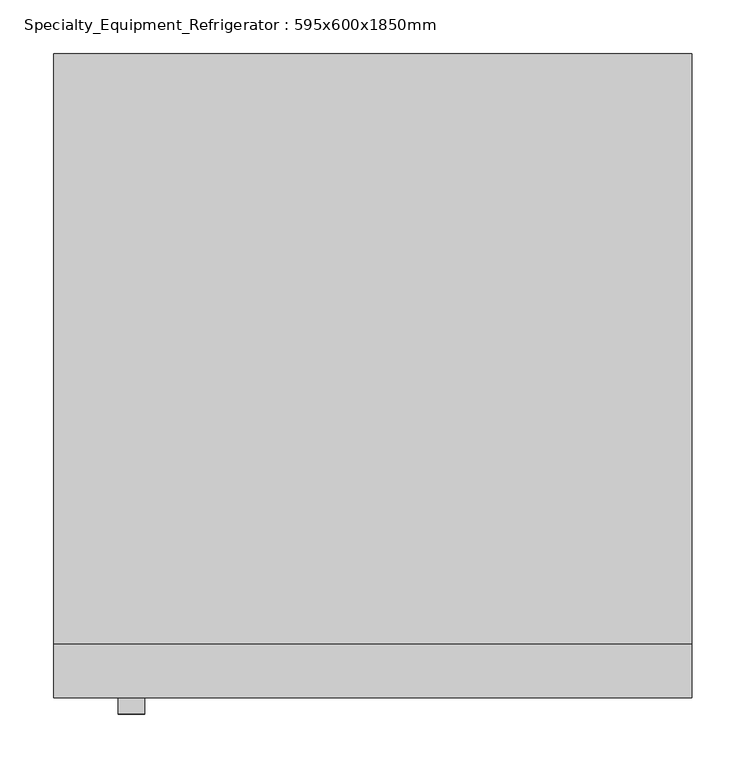
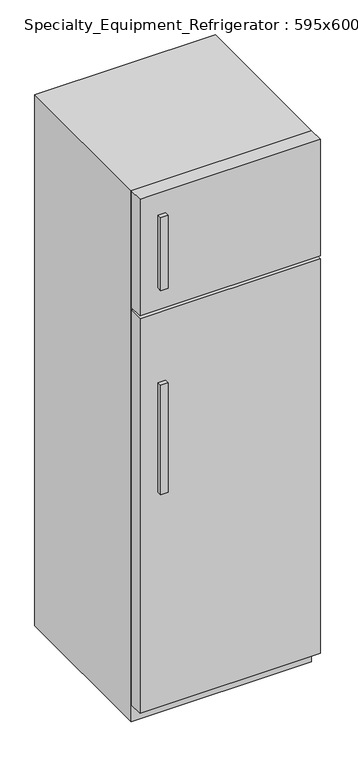
"""IFC4 building model written with IfcOpenShell, lengths in millimetres: proxy geometry, Specialty_Equipment_Refrigerator : 595x600x1850mm."""

from ifc_helpers import new_model, si_unit, frame, origin, origin_with_axes, place, context, project, spatial, polyline, outline, extrude, source, transform, mapped, element, save


def specialty_equipment_refrigerator_595x600x1850mm_c315448b(model_context):
    return source(origin(), model_context, "Body", "SweptSolid", [
        extrude(outline(polyline([(84.664069, 147.0), (60.0, 147.0), (60.0, 162.0), (84.664069, 162.0), (84.664069, 147.0)])), frame((0.0, 0.0, 1520.0), z_axis=(0.0, 0.0, 1.0), x_axis=(1.0, 0.0, 0.0)), (0.0, 0.0, 1.0), 254.0),
        extrude(outline(polyline([(84.664069, 147.0), (60.0, 147.0), (60.0, 162.0), (84.664069, 162.0), (84.664069, 147.0)])), frame((0.0, 0.0, 809.0), z_axis=(0.0, 0.0, 1.0), x_axis=(1.0, 0.0, 0.0)), (0.0, 0.0, 1.0), 381.0),
        extrude(outline(polyline([(595.0, 162.0), (0.0, 162.0), (0.0, 212.0), (595.0, 212.0), (595.0, 162.0)])), frame((0.0, 0.0, 1444.0), z_axis=(0.0, 0.0, 1.0), x_axis=(1.0, 0.0, 0.0)), (0.0, 0.0, 1.0), 406.0),
        extrude(outline(polyline([(595.0, 162.0), (0.0, 162.0), (0.0, 212.0), (595.0, 212.0), (595.0, 162.0)])), frame((0.0, 0.0, 60.0), z_axis=(0.0, 0.0, 1.0), x_axis=(1.0, 0.0, 0.0)), (0.0, 0.0, 1.0), 1374.0),
        extrude(outline(polyline([(595.0, 762.0), (595.0, 212.0), (0.0, 212.0), (0.0, 762.0), (595.0, 762.0)])), origin_with_axes(), (0.0, 0.0, 1.0), 1850.0),
    ])


if __name__ == "__main__":
    model = new_model("IFC4")
    model_context = context("Model", 3, world=origin())
    ifc_project = project(units=[si_unit("LENGTHUNIT", "METRE", prefix="MILLI")], contexts=[model_context])
    site = spatial("IfcSite", under=ifc_project)
    building = spatial("IfcBuilding", under=site)
    placement = place(None, origin())
    specialty_equipment_refrigerator_595x600x1850mm_shape = specialty_equipment_refrigerator_595x600x1850mm_c315448b(model_context)
    element("IfcBuildingElementProxy", 1, Name="Specialty_Equipment_Refrigerator : 595x600x1850mm", ObjectType="Specialty_Equipment_Refrigerator : 595x600x1850mm", at=placement, inside=building, context=model_context, shape_type="MappedRepresentation", body=[
        mapped(specialty_equipment_refrigerator_595x600x1850mm_shape, transform((0.0, 0.0, 0.0), x_axis=(1.0, 0.0, 0.0), y_axis=(0.0, 1.0, 0.0), z_axis=(0.0, 0.0, 1.0))),
    ])
    save(model, "model.ifc")
